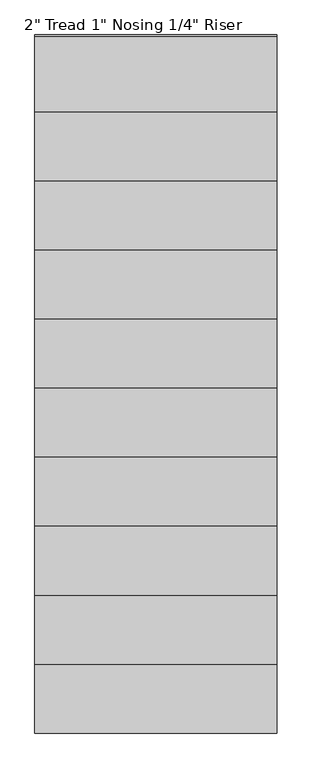
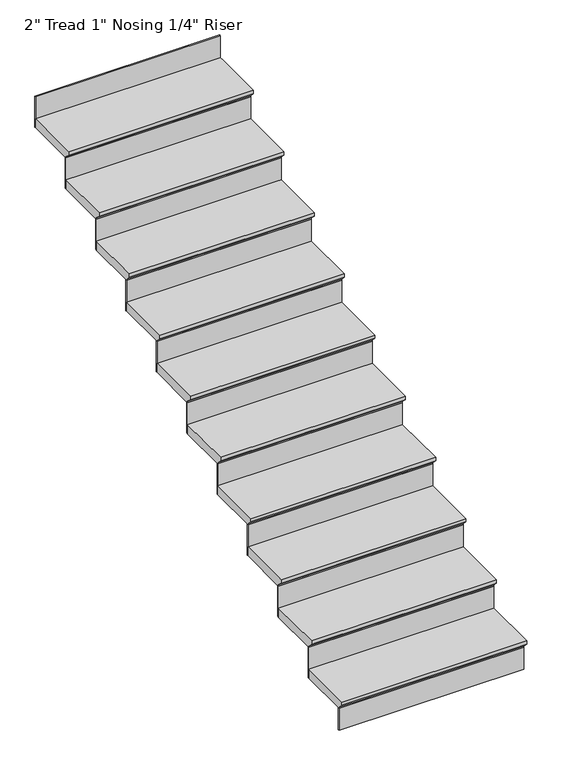
"""IFC4 building model written with IfcOpenShell, lengths in millimetres: stair flight geometry."""

import ifcopenshell
import ifcopenshell.guid

model = None  # the IFC model being written
_history = None  # IfcOwnerHistory: only IFC2X3 demands one
_inside = {}  # id of a spatial element -> (the spatial element, [elements in it])
_under = {}  # id of a project, library or spatial element -> (it, [spatial elements below it])
_declared = {}  # id of a project -> (the project, [libraries it declares])
_typed = {}  # id of a type object -> (the type object, [elements of that type])
_made_of = {}  # id of a material, layer set ... -> (it, [elements and type objects made of it])


def new_model(schema):
    """Start an empty IFC model of exactly this schema.

    Asked for "IFC4X3", IfcOpenShell would pick the latest addendum, in which some entities
    have other attributes; the version numbers below select the first issue.
    IFC2X3 requires an IfcOwnerHistory on every rooted entity: one is made here for all.
    """
    global model, _history
    if schema == "IFC4X3":
        model = ifcopenshell.file(schema_version=(4, 3, 0, 0))
    else:
        model = ifcopenshell.file(schema=schema)
    _inside.clear()
    _under.clear()
    _declared.clear()
    _typed.clear()
    _made_of.clear()
    _history = None
    if model.schema == "IFC2X3":
        org = make("IfcOrganization", Name="unknown")
        user = make(
            "IfcPersonAndOrganization",
            ThePerson=make("IfcPerson", FamilyName="unknown"),
            TheOrganization=org,
        )
        app = make(
            "IfcApplication",
            ApplicationDeveloper=org,
            Version="unknown",
            ApplicationFullName="unknown",
            ApplicationIdentifier="unknown",
        )
        _history = make(
            "IfcOwnerHistory",
            OwningUser=user,
            OwningApplication=app,
            ChangeAction="ADDED",
            CreationDate=0,
        )
    return model


def make(cls, **values):
    """One entity of the class cls with the attributes given. An attribute that is None is left unset."""
    return model.create_entity(
        cls, **{name: value for name, value in values.items() if value is not None}
    )


def rooted(cls, **values):
    """An entity with a GlobalId (a new one), such as an element, a storey or a relation."""
    return make(cls, GlobalId=ifcopenshell.guid.new(), OwnerHistory=_history, **values)


def si_unit(unit_type, name, prefix=None):
    """IfcSIUnit, for example si_unit("LENGTHUNIT", "METRE", prefix="MILLI")."""
    return make("IfcSIUnit", UnitType=unit_type, Prefix=prefix, Name=name)


def assignment(units):
    """IfcUnitAssignment: the units of a project."""
    return None if units is None else make("IfcUnitAssignment", Units=units)


def point(xyz):
    """IfcCartesianPoint."""
    return None if xyz is None else make("IfcCartesianPoint", Coordinates=xyz)


def direction(xyz):
    """IfcDirection."""
    return None if xyz is None else make("IfcDirection", DirectionRatios=xyz)


def frame(location, z_axis=None, x_axis=None):
    """IfcAxis2Placement3D, a coordinate frame: its origin and axes. An axis left out is left unset."""
    return make(
        "IfcAxis2Placement3D",
        Location=point(location),
        Axis=direction(z_axis),
        RefDirection=direction(x_axis),
    )


def origin():
    """The frame at (0, 0, 0) with its axes left unset."""
    return frame((0.0, 0.0, 0.0))


def place(relative_to, where):
    """IfcLocalPlacement: puts the frame where relative to a parent placement (None: the world)."""
    return make(
        "IfcLocalPlacement", PlacementRelTo=relative_to, RelativePlacement=where
    )


def context(
    kind, dimensions, precision=None, world=None, true_north=None, identifier=None
):
    """IfcGeometricRepresentationContext, for example the 3D "Model" context."""
    return make(
        "IfcGeometricRepresentationContext",
        ContextIdentifier=identifier,
        ContextType=kind,
        CoordinateSpaceDimension=dimensions,
        Precision=precision,
        WorldCoordinateSystem=world,
        TrueNorth=true_north,
    )


def project(units=None, contexts=None):
    """IfcProject with its units and contexts."""
    return rooted(
        "IfcProject",
        Name="project",
        RepresentationContexts=contexts,
        UnitsInContext=assignment(units),
    )


def spatial(cls, under=None, at=None, **own):
    """A site, building, storey or space (cls), placed at a placement, below another one or the project."""
    s = rooted(cls, ObjectPlacement=at, **own)
    if under is not None:
        _under.setdefault(under.id(), (under, []))[1].append(s)
    return s


def faces_of(points, faces, orient=None, outer=None):
    """IfcFace entities. A face is a list of loops; a loop is a list of indices into points, from 0.

    orient and outer hold one flag for each loop. By default every Orientation is true, the
    first loop of a face is its IfcFaceOuterBound and the others are IfcFaceBound.
    """
    made = []
    for i, loops in enumerate(faces):
        bounds = []
        for j, loop in enumerate(loops):
            is_outer = j == 0 if outer is None else outer[i][j]
            bounds.append(
                make(
                    "IfcFaceOuterBound" if is_outer else "IfcFaceBound",
                    Bound=make("IfcPolyLoop", Polygon=[points[k] for k in loop]),
                    Orientation=True if orient is None else orient[i][j],
                )
            )
        made.append(make("IfcFace", Bounds=bounds))
    return made


def faceted_brep(points, faces, orient=None, outer=None, voids=None):
    """IfcFacetedBrep: a solid bounded by flat faces; with voids (closed shells), ...WithVoids."""
    shared = [point(p) for p in points]
    hull = make("IfcClosedShell", CfsFaces=faces_of(shared, faces, orient, outer))
    if voids is None:
        return make("IfcFacetedBrep", Outer=hull)
    return make(
        "IfcFacetedBrepWithVoids",
        Outer=hull,
        Voids=[
            make(cls, CfsFaces=faces_of(shared, fs, o, b)) for cls, fs, o, b in voids
        ],
    )


def shape(context_of_items, identifier, shape_type, items):
    """IfcShapeRepresentation: the items that make up one representation, for example the "Body"."""
    return make(
        "IfcShapeRepresentation",
        ContextOfItems=context_of_items,
        RepresentationIdentifier=identifier,
        RepresentationType=shape_type,
        Items=items,
    )


def source(mapping_origin, context_of_items, identifier, shape_type, items):
    """IfcRepresentationMap: a shape defined once, which mapped items show again and again."""
    return make(
        "IfcRepresentationMap",
        MappingOrigin=mapping_origin,
        MappedRepresentation=shape(context_of_items, identifier, shape_type, items),
    )


def transform(
    local_origin,
    x_axis=None,
    y_axis=None,
    z_axis=None,
    scale=None,
    scale2=None,
    scale3=None,
    uniform=True,
):
    """IfcCartesianTransformationOperator3D, or its non-uniform kind. x_axis, y_axis, z_axis: its Axis1, 2, 3."""
    if uniform:
        return make(
            "IfcCartesianTransformationOperator3D",
            Axis1=direction(x_axis),
            Axis2=direction(y_axis),
            LocalOrigin=point(local_origin),
            Scale=scale,
            Axis3=direction(z_axis),
        )
    return make(
        "IfcCartesianTransformationOperator3DnonUniform",
        Axis1=direction(x_axis),
        Axis2=direction(y_axis),
        LocalOrigin=point(local_origin),
        Scale=scale,
        Axis3=direction(z_axis),
        Scale2=scale2,
        Scale3=scale3,
    )


def mapped(mapping_source, mapping_target):
    """IfcMappedItem: shows the shape of a source again, moved by a transform."""
    return make(
        "IfcMappedItem", MappingSource=mapping_source, MappingTarget=mapping_target
    )


def made_of(thing, what):
    """Note that an element or type object is made of a material, layer set ...; save() writes the relation."""
    if what is not None:
        _made_of.setdefault(what.id(), (what, []))[1].append(thing)
    return thing


def element(
    cls,
    number,
    at=None,
    inside=None,
    cuts=None,
    type_object=None,
    material=None,
    context=None,
    identifier="Body",
    shape_type=None,
    held_by="IfcProductDefinitionShape",
    body=None,
    shapes=None,
    **own,
):
    """One element of the class cls, such as IfcWall. Its Tag is "e" and its number.

    at: its placement. inside: the storey or other place that contains it. cuts: it is an
    opening in that element (IfcRelVoidsElement). A single representation is given by context,
    identifier, shape_type and body (its items); several are given by shapes. held_by: the class
    of the entity that holds the representations. save() writes the other relations.
    """
    e = rooted(cls, Tag="e%d" % number, ObjectPlacement=at, **own)
    if body is not None:
        shapes = [shape(context, identifier, shape_type, body)]
    if shapes is not None:
        e.Representation = make(held_by, Representations=shapes)
    if inside is not None:
        _inside.setdefault(inside.id(), (inside, []))[1].append(e)
    if cuts is not None:
        rooted(
            "IfcRelVoidsElement", RelatingBuildingElement=cuts, RelatedOpeningElement=e
        )
    if type_object is not None:
        _typed.setdefault(type_object.id(), (type_object, []))[1].append(e)
    return made_of(e, material)


def aggregate(whole, parts):
    """IfcRelAggregates: a whole, such as a stair, and the parts it consists of."""
    return rooted("IfcRelAggregates", RelatingObject=whole, RelatedObjects=parts)


def save(model, path):
    """Write the relations noted so far, then the file.

    IfcRelAggregates (storeys below a building ...), IfcRelContainedInSpatialStructure (elements
    in a storey), IfcRelDefinesByType, IfcRelAssociatesMaterial and IfcRelDeclares: one each for
    every whole, place, type object, material and project.
    """
    for whole, parts in _under.values():
        aggregate(whole, parts)
    for where, things in _inside.values():
        rooted(
            "IfcRelContainedInSpatialStructure",
            RelatedElements=things,
            RelatingStructure=where,
        )
    for kind, things in _typed.values():
        rooted("IfcRelDefinesByType", RelatedObjects=things, RelatingType=kind)
    for what, things in _made_of.values():
        rooted("IfcRelAssociatesMaterial", RelatedObjects=things, RelatingMaterial=what)
    for by, libraries in _declared.values():
        rooted("IfcRelDeclares", RelatingContext=by, RelatedDefinitions=libraries)
    model.write(path)


def stair_flight_3c5120b4(model_context):
    return source(origin(), model_context, "Body", "Brep", [
        faceted_brep([(-19107.5828216, 2625.4460566, 39950.5714286), (-18126.0930445, 2625.4460566, 39950.5714286), (-18126.0930445, 2930.2460566, 39950.5714286), (-19107.5828216, 2930.2460566, 39950.5714286), (-19107.5828216, 2650.8460566, 39899.7714286), (-19107.5828216, 2930.2460566, 39899.7714286), (-18126.0930445, 2930.2460566, 39899.7714286), (-18126.0930445, 2650.8460566, 39899.7714286), (-19107.5828216, 2650.8460566, 39906.1214286), (-19107.5828216, 2625.4460566, 39931.5214286), (-18126.0930445, 2650.8460566, 39906.1214286), (-18126.0930445, 2625.4460566, 39931.5214286)], [[[0, 1, 2, 3]], [[4, 5, 6, 7]], [[0, 3, 5, 4, 8, 9]], [[4, 7, 10, 8]], [[2, 1, 11, 10, 7, 6]], [[3, 2, 6, 5]], [[11, 1, 0, 9]], [[10, 11, 9, 8]]]),
        faceted_brep([(-18126.0930445, 2650.8460566, 39899.7714286), (-18126.0930445, 2650.8460566, 39776.4), (-18126.0930445, 2657.1960566, 39776.4), (-18126.0930445, 2657.1960566, 39899.7714286), (-19107.5828216, 2650.8460566, 39899.7714286), (-19107.5828216, 2657.1960566, 39899.7714286), (-19107.5828216, 2657.1960566, 39776.4), (-19107.5828216, 2650.8460566, 39776.4)], [[[0, 1, 2, 3]], [[4, 5, 6, 7]], [[1, 0, 4, 7]], [[2, 1, 7, 6]], [[3, 2, 6, 5]], [[0, 3, 5, 4]]]),
        faceted_brep([(-19107.5828216, 2904.8460566, 40124.7428571), (-18126.0930445, 2904.8460566, 40124.7428571), (-18126.0930445, 3209.6460566, 40124.7428571), (-19107.5828216, 3209.6460566, 40124.7428571), (-19107.5828216, 2930.2460566, 40073.9428571), (-19107.5828216, 3209.6460566, 40073.9428571), (-18126.0930445, 3209.6460566, 40073.9428571), (-18126.0930445, 2930.2460566, 40073.9428571), (-19107.5828216, 2930.2460566, 40080.2928571), (-19107.5828216, 2904.8460566, 40105.6928571), (-18126.0930445, 2930.2460566, 40080.2928571), (-18126.0930445, 2904.8460566, 40105.6928571)], [[[0, 1, 2, 3]], [[4, 5, 6, 7]], [[0, 3, 5, 4, 8, 9]], [[4, 7, 10, 8]], [[2, 1, 11, 10, 7, 6]], [[3, 2, 6, 5]], [[11, 1, 0, 9]], [[10, 11, 9, 8]]]),
        faceted_brep([(-18126.0930445, 2930.2460566, 40073.9428571), (-18126.0930445, 2930.2460566, 39899.7714286), (-18126.0930445, 2936.5960566, 39899.7714286), (-18126.0930445, 2936.5960566, 40073.9428571), (-19107.5828216, 2930.2460566, 40073.9428571), (-19107.5828216, 2936.5960566, 40073.9428571), (-19107.5828216, 2936.5960566, 39899.7714286), (-19107.5828216, 2930.2460566, 39899.7714286)], [[[0, 1, 2, 3]], [[4, 5, 6, 7]], [[1, 0, 4, 7]], [[2, 1, 7, 6]], [[3, 2, 6, 5]], [[0, 3, 5, 4]]]),
        faceted_brep([(-19107.5828216, 3184.2460566, 40298.9142857), (-18126.0930445, 3184.2460566, 40298.9142857), (-18126.0930445, 3489.0460566, 40298.9142857), (-19107.5828216, 3489.0460566, 40298.9142857), (-19107.5828216, 3209.6460566, 40248.1142857), (-19107.5828216, 3489.0460566, 40248.1142857), (-18126.0930445, 3489.0460566, 40248.1142857), (-18126.0930445, 3209.6460566, 40248.1142857), (-19107.5828216, 3209.6460566, 40254.4642857), (-19107.5828216, 3184.2460566, 40279.8642857), (-18126.0930445, 3209.6460566, 40254.4642857), (-18126.0930445, 3184.2460566, 40279.8642857)], [[[0, 1, 2, 3]], [[4, 5, 6, 7]], [[0, 3, 5, 4, 8, 9]], [[4, 7, 10, 8]], [[2, 1, 11, 10, 7, 6]], [[3, 2, 6, 5]], [[11, 1, 0, 9]], [[10, 11, 9, 8]]]),
        faceted_brep([(-18126.0930445, 3209.6460566, 40248.1142857), (-18126.0930445, 3209.6460566, 40073.9428571), (-18126.0930445, 3215.9960566, 40073.9428571), (-18126.0930445, 3215.9960566, 40248.1142857), (-19107.5828216, 3209.6460566, 40248.1142857), (-19107.5828216, 3215.9960566, 40248.1142857), (-19107.5828216, 3215.9960566, 40073.9428571), (-19107.5828216, 3209.6460566, 40073.9428571)], [[[0, 1, 2, 3]], [[4, 5, 6, 7]], [[1, 0, 4, 7]], [[2, 1, 7, 6]], [[3, 2, 6, 5]], [[0, 3, 5, 4]]]),
        faceted_brep([(-19107.5828216, 3463.6460566, 40473.0857143), (-18126.0930445, 3463.6460566, 40473.0857143), (-18126.0930445, 3768.4460566, 40473.0857143), (-19107.5828216, 3768.4460566, 40473.0857143), (-19107.5828216, 3489.0460566, 40422.2857143), (-19107.5828216, 3768.4460566, 40422.2857143), (-18126.0930445, 3768.4460566, 40422.2857143), (-18126.0930445, 3489.0460566, 40422.2857143), (-19107.5828216, 3489.0460566, 40428.6357143), (-19107.5828216, 3463.6460566, 40454.0357143), (-18126.0930445, 3489.0460566, 40428.6357143), (-18126.0930445, 3463.6460566, 40454.0357143)], [[[0, 1, 2, 3]], [[4, 5, 6, 7]], [[0, 3, 5, 4, 8, 9]], [[4, 7, 10, 8]], [[2, 1, 11, 10, 7, 6]], [[3, 2, 6, 5]], [[11, 1, 0, 9]], [[10, 11, 9, 8]]]),
        faceted_brep([(-18126.0930445, 3489.0460566, 40422.2857143), (-18126.0930445, 3489.0460566, 40248.1142857), (-18126.0930445, 3495.3960566, 40248.1142857), (-18126.0930445, 3495.3960566, 40422.2857143), (-19107.5828216, 3489.0460566, 40422.2857143), (-19107.5828216, 3495.3960566, 40422.2857143), (-19107.5828216, 3495.3960566, 40248.1142857), (-19107.5828216, 3489.0460566, 40248.1142857)], [[[0, 1, 2, 3]], [[4, 5, 6, 7]], [[1, 0, 4, 7]], [[2, 1, 7, 6]], [[3, 2, 6, 5]], [[0, 3, 5, 4]]]),
        faceted_brep([(-19107.5828216, 3743.0460566, 40647.2571429), (-18126.0930445, 3743.0460566, 40647.2571429), (-18126.0930445, 4047.8460566, 40647.2571429), (-19107.5828216, 4047.8460566, 40647.2571429), (-19107.5828216, 3768.4460566, 40596.4571429), (-19107.5828216, 4047.8460566, 40596.4571429), (-18126.0930445, 4047.8460566, 40596.4571429), (-18126.0930445, 3768.4460566, 40596.4571429), (-19107.5828216, 3768.4460566, 40602.8071429), (-19107.5828216, 3743.0460566, 40628.2071429), (-18126.0930445, 3768.4460566, 40602.8071429), (-18126.0930445, 3743.0460566, 40628.2071429)], [[[0, 1, 2, 3]], [[4, 5, 6, 7]], [[0, 3, 5, 4, 8, 9]], [[4, 7, 10, 8]], [[2, 1, 11, 10, 7, 6]], [[3, 2, 6, 5]], [[11, 1, 0, 9]], [[10, 11, 9, 8]]]),
        faceted_brep([(-18126.0930445, 3768.4460566, 40596.4571429), (-18126.0930445, 3768.4460566, 40422.2857143), (-18126.0930445, 3774.7960566, 40422.2857143), (-18126.0930445, 3774.7960566, 40596.4571429), (-19107.5828216, 3768.4460566, 40596.4571429), (-19107.5828216, 3774.7960566, 40596.4571429), (-19107.5828216, 3774.7960566, 40422.2857143), (-19107.5828216, 3768.4460566, 40422.2857143)], [[[0, 1, 2, 3]], [[4, 5, 6, 7]], [[1, 0, 4, 7]], [[2, 1, 7, 6]], [[3, 2, 6, 5]], [[0, 3, 5, 4]]]),
        faceted_brep([(-19107.5828216, 4022.4460566, 40821.4285714), (-18126.0930445, 4022.4460566, 40821.4285714), (-18126.0930445, 4327.2460566, 40821.4285714), (-19107.5828216, 4327.2460566, 40821.4285714), (-19107.5828216, 4047.8460566, 40770.6285714), (-19107.5828216, 4327.2460566, 40770.6285714), (-18126.0930445, 4327.2460566, 40770.6285714), (-18126.0930445, 4047.8460566, 40770.6285714), (-19107.5828216, 4047.8460566, 40776.9785714), (-19107.5828216, 4022.4460566, 40802.3785714), (-18126.0930445, 4047.8460566, 40776.9785714), (-18126.0930445, 4022.4460566, 40802.3785714)], [[[0, 1, 2, 3]], [[4, 5, 6, 7]], [[0, 3, 5, 4, 8, 9]], [[4, 7, 10, 8]], [[2, 1, 11, 10, 7, 6]], [[3, 2, 6, 5]], [[11, 1, 0, 9]], [[10, 11, 9, 8]]]),
        faceted_brep([(-18126.0930445, 4047.8460566, 40770.6285714), (-18126.0930445, 4047.8460566, 40596.4571429), (-18126.0930445, 4054.1960566, 40596.4571429), (-18126.0930445, 4054.1960566, 40770.6285714), (-19107.5828216, 4047.8460566, 40770.6285714), (-19107.5828216, 4054.1960566, 40770.6285714), (-19107.5828216, 4054.1960566, 40596.4571429), (-19107.5828216, 4047.8460566, 40596.4571429)], [[[0, 1, 2, 3]], [[4, 5, 6, 7]], [[1, 0, 4, 7]], [[2, 1, 7, 6]], [[3, 2, 6, 5]], [[0, 3, 5, 4]]]),
        faceted_brep([(-19107.5828216, 4301.8460566, 40995.6), (-18126.0930445, 4301.8460566, 40995.6), (-18126.0930445, 4606.6460566, 40995.6), (-19107.5828216, 4606.6460566, 40995.6), (-19107.5828216, 4327.2460566, 40944.8), (-19107.5828216, 4606.6460566, 40944.8), (-18126.0930445, 4606.6460566, 40944.8), (-18126.0930445, 4327.2460566, 40944.8), (-19107.5828216, 4327.2460566, 40951.15), (-19107.5828216, 4301.8460566, 40976.55), (-18126.0930445, 4327.2460566, 40951.15), (-18126.0930445, 4301.8460566, 40976.55)], [[[0, 1, 2, 3]], [[4, 5, 6, 7]], [[0, 3, 5, 4, 8, 9]], [[4, 7, 10, 8]], [[2, 1, 11, 10, 7, 6]], [[3, 2, 6, 5]], [[11, 1, 0, 9]], [[10, 11, 9, 8]]]),
        faceted_brep([(-18126.0930445, 4327.2460566, 40944.8), (-18126.0930445, 4327.2460566, 40770.6285714), (-18126.0930445, 4333.5960566, 40770.6285714), (-18126.0930445, 4333.5960566, 40944.8), (-19107.5828216, 4327.2460566, 40944.8), (-19107.5828216, 4333.5960566, 40944.8), (-19107.5828216, 4333.5960566, 40770.6285714), (-19107.5828216, 4327.2460566, 40770.6285714)], [[[0, 1, 2, 3]], [[4, 5, 6, 7]], [[1, 0, 4, 7]], [[2, 1, 7, 6]], [[3, 2, 6, 5]], [[0, 3, 5, 4]]]),
        faceted_brep([(-19107.5828216, 4581.2460566, 41169.7714286), (-18126.0930445, 4581.2460566, 41169.7714286), (-18126.0930445, 4886.0460566, 41169.7714286), (-19107.5828216, 4886.0460566, 41169.7714286), (-19107.5828216, 4606.6460566, 41118.9714286), (-19107.5828216, 4886.0460566, 41118.9714286), (-18126.0930445, 4886.0460566, 41118.9714286), (-18126.0930445, 4606.6460566, 41118.9714286), (-19107.5828216, 4606.6460566, 41125.3214286), (-19107.5828216, 4581.2460566, 41150.7214286), (-18126.0930445, 4606.6460566, 41125.3214286), (-18126.0930445, 4581.2460566, 41150.7214286)], [[[0, 1, 2, 3]], [[4, 5, 6, 7]], [[0, 3, 5, 4, 8, 9]], [[4, 7, 10, 8]], [[2, 1, 11, 10, 7, 6]], [[3, 2, 6, 5]], [[11, 1, 0, 9]], [[10, 11, 9, 8]]]),
        faceted_brep([(-18126.0930445, 4606.6460566, 41118.9714286), (-18126.0930445, 4606.6460566, 40944.8), (-18126.0930445, 4612.9960566, 40944.8), (-18126.0930445, 4612.9960566, 41118.9714286), (-19107.5828216, 4606.6460566, 41118.9714286), (-19107.5828216, 4612.9960566, 41118.9714286), (-19107.5828216, 4612.9960566, 40944.8), (-19107.5828216, 4606.6460566, 40944.8)], [[[0, 1, 2, 3]], [[4, 5, 6, 7]], [[1, 0, 4, 7]], [[2, 1, 7, 6]], [[3, 2, 6, 5]], [[0, 3, 5, 4]]]),
        faceted_brep([(-19107.5828216, 4860.6460566, 41343.9428571), (-18126.0930445, 4860.6460566, 41343.9428571), (-18126.0930445, 5165.4460566, 41343.9428571), (-19107.5828216, 5165.4460566, 41343.9428571), (-19107.5828216, 4886.0460566, 41293.1428571), (-19107.5828216, 5165.4460566, 41293.1428571), (-18126.0930445, 5165.4460566, 41293.1428571), (-18126.0930445, 4886.0460566, 41293.1428571), (-19107.5828216, 4886.0460566, 41299.4928571), (-19107.5828216, 4860.6460566, 41324.8928571), (-18126.0930445, 4886.0460566, 41299.4928571), (-18126.0930445, 4860.6460566, 41324.8928571)], [[[0, 1, 2, 3]], [[4, 5, 6, 7]], [[0, 3, 5, 4, 8, 9]], [[4, 7, 10, 8]], [[2, 1, 11, 10, 7, 6]], [[3, 2, 6, 5]], [[11, 1, 0, 9]], [[10, 11, 9, 8]]]),
        faceted_brep([(-18126.0930445, 4886.0460566, 41293.1428571), (-18126.0930445, 4886.0460566, 41118.9714286), (-18126.0930445, 4892.3960566, 41118.9714286), (-18126.0930445, 4892.3960566, 41293.1428571), (-19107.5828216, 4886.0460566, 41293.1428571), (-19107.5828216, 4892.3960566, 41293.1428571), (-19107.5828216, 4892.3960566, 41118.9714286), (-19107.5828216, 4886.0460566, 41118.9714286)], [[[0, 1, 2, 3]], [[4, 5, 6, 7]], [[1, 0, 4, 7]], [[2, 1, 7, 6]], [[3, 2, 6, 5]], [[0, 3, 5, 4]]]),
        faceted_brep([(-19107.5828216, 5140.0460566, 41518.1142857), (-18126.0930445, 5140.0460566, 41518.1142857), (-18126.0930445, 5419.4460566, 41518.1142857), (-18126.0930445, 5444.8460566, 41518.1142857), (-19107.5828216, 5444.8460566, 41518.1142857), (-19107.5828216, 5165.4460566, 41467.3142857), (-19107.5828216, 5444.8460566, 41467.3142857), (-18126.0930445, 5444.8460566, 41467.3142857), (-18126.0930445, 5419.4460566, 41467.3142857), (-18126.0930445, 5165.4460566, 41467.3142857), (-19107.5828216, 5165.4460566, 41473.6642857), (-19107.5828216, 5140.0460566, 41499.0642857), (-18126.0930445, 5165.4460566, 41473.6642857), (-18126.0930445, 5140.0460566, 41499.0642857)], [[[0, 1, 2, 3, 4]], [[5, 6, 7, 8, 9]], [[0, 4, 6, 5, 10, 11]], [[5, 9, 12, 10]], [[2, 1, 13, 12, 9, 8]], [[4, 3, 7, 6]], [[13, 1, 0, 11]], [[12, 13, 11, 10]], [[3, 2, 8, 7]]]),
        faceted_brep([(-18126.0930445, 5165.4460566, 41467.3142857), (-18126.0930445, 5165.4460566, 41293.1428571), (-18126.0930445, 5171.7960566, 41293.1428571), (-18126.0930445, 5171.7960566, 41467.3142857), (-19107.5828216, 5165.4460566, 41467.3142857), (-19107.5828216, 5171.7960566, 41467.3142857), (-19107.5828216, 5171.7960566, 41293.1428571), (-19107.5828216, 5165.4460566, 41293.1428571)], [[[0, 1, 2, 3]], [[4, 5, 6, 7]], [[1, 0, 4, 7]], [[2, 1, 7, 6]], [[3, 2, 6, 5]], [[0, 3, 5, 4]]]),
        faceted_brep([(-18126.0930445, 5444.8460566, 41641.4857143), (-18126.0930445, 5444.8460566, 41467.3142857), (-18126.0930445, 5451.1960566, 41467.3142857), (-18126.0930445, 5451.1960566, 41641.4857143), (-19107.5828216, 5444.8460566, 41641.4857143), (-19107.5828216, 5451.1960566, 41641.4857143), (-19107.5828216, 5451.1960566, 41467.3142857), (-19107.5828216, 5444.8460566, 41467.3142857)], [[[0, 1, 2, 3]], [[4, 5, 6, 7]], [[1, 0, 4, 7]], [[2, 1, 7, 6]], [[3, 2, 6, 5]], [[0, 3, 5, 4]]]),
    ])


if __name__ == "__main__":
    model = new_model("IFC4")
    model_context = context("Model", 3, world=origin())
    ifc_project = project(units=[si_unit("LENGTHUNIT", "METRE", prefix="MILLI")], contexts=[model_context])
    site = spatial("IfcSite", under=ifc_project)
    building = spatial("IfcBuilding", under=site)
    placement = place(None, origin())
    stair_flight_shape = stair_flight_3c5120b4(model_context)
    element("IfcStairFlight", 1, ObjectType="2\" Tread 1\" Nosing 1/4\" Riser", at=placement, inside=building, context=model_context, shape_type="MappedRepresentation", body=[
        mapped(stair_flight_shape, transform((0.0, 0.0, 0.0), x_axis=(1.0, 0.0, 0.0), y_axis=(0.0, 1.0, 0.0), z_axis=(0.0, 0.0, 1.0))),
    ])
    save(model, "model.ifc")
